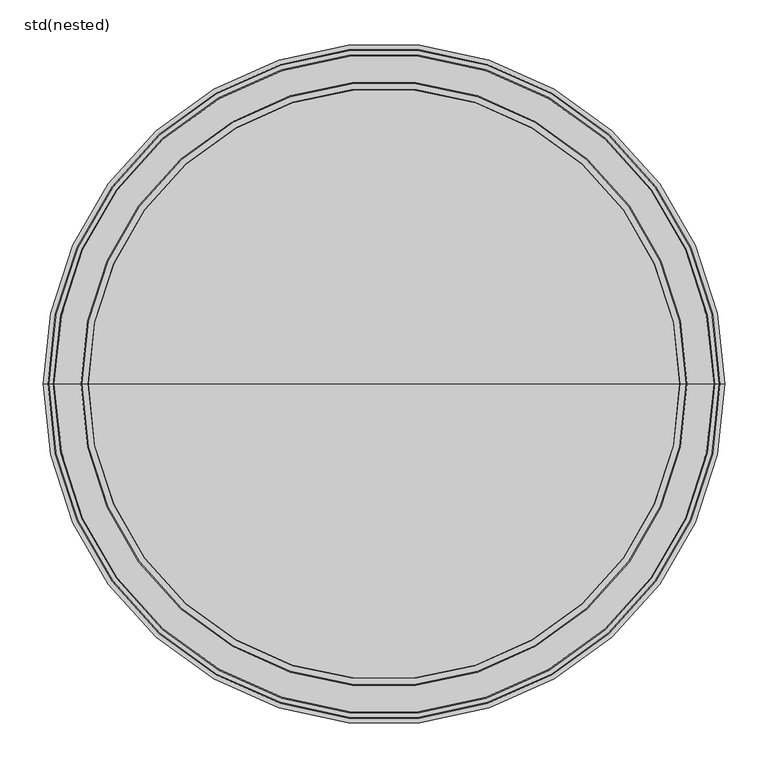
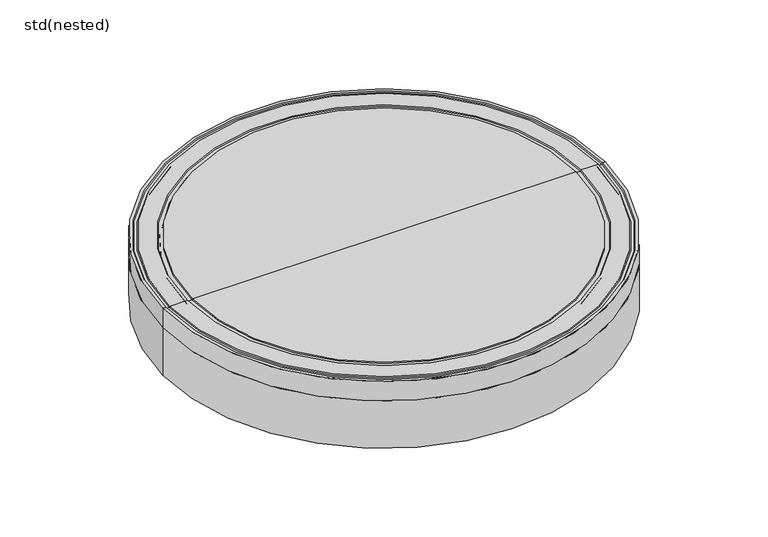
"""IFC4 building model written with IfcOpenShell, lengths in millimetres: sanitary terminal geometry, std(nested)."""

from ifc_helpers import new_model, si_unit, frame, origin, place, context, project, spatial, polyline, circle_curve, source, transform, mapped, element, save
from ifc_brep_helpers import plane_surface, cylinder_surface, revolved_surface, advanced_brep


def std_nested_8acdc314(model_context):
    return source(origin(), model_context, "Body", "AdvancedBrep", [
        advanced_brep(
        [(340.5, 0.0, -36.5), (-340.5, 0.0, -36.5), (-340.5, 0.0, 0.0), (340.5, 0.0, 0.0), (302.2093622, 0.0, -36.5), (-302.2093622, 0.0, -36.5), (302.2093622, 0.0, -41.551694), (-302.2093622, 0.0, -41.551694), (312.5, 0.0, -41.551694), (-312.5, 0.0, -41.551694), (312.5, 0.0, -125.0), (-312.5, 0.0, -125.0), (0.0, 0.0, 0.0), (302.2093622, 0.0, -125.0), (-302.2093622, 0.0, -125.0), (302.2093622, 0.0, -44.4596035), (-302.2093622, 0.0, -44.4596035), (294.3853427, 0.0, -44.4596035), (-294.3853427, 0.0, -44.4596035), (294.3853427, 0.0, -36.5), (-294.3853427, 0.0, -36.5), (0.0, 0.0, -36.5)],
        [
            (0, 1, circle_curve(frame((0.0, 0.0, -36.5), z_axis=(0.0, 0.0, 1.0), x_axis=(-1.0, 0.0, 0.0)), 340.5)),
            (1, 2),
            (2, 3, circle_curve(frame((0.0, 0.0, 0.0), z_axis=(0.0, 0.0, -1.0), x_axis=(-1.0, 0.0, 0.0)), 340.5)),
            (3, 0),
            (1, 0, circle_curve(frame((0.0, 0.0, -36.5), z_axis=(0.0, 0.0, 1.0), x_axis=(-1.0, 0.0, 0.0)), 340.5)),
            (3, 2, circle_curve(frame((0.0, 0.0, 0.0), z_axis=(0.0, 0.0, -1.0), x_axis=(-1.0, 0.0, 0.0)), 340.5)),
            (4, 5, circle_curve(frame((0.0, 0.0, -36.5), z_axis=(0.0, 0.0, 1.0), x_axis=(-1.0, 0.0, 0.0)), 302.2093622)),
            (5, 1),
            (0, 4),
            (5, 4, circle_curve(frame((0.0, 0.0, -36.5), z_axis=(0.0, 0.0, 1.0), x_axis=(-1.0, 0.0, 0.0)), 302.2093622)),
            (6, 7, circle_curve(frame((0.0, 0.0, -41.551694), z_axis=(0.0, 0.0, 1.0), x_axis=(-1.0, 0.0, 0.0)), 302.2093622)),
            (7, 5),
            (4, 6),
            (7, 6, circle_curve(frame((0.0, 0.0, -41.551694), z_axis=(0.0, 0.0, 1.0), x_axis=(-1.0, 0.0, 0.0)), 302.2093622)),
            (8, 9, circle_curve(frame((0.0, 0.0, -41.551694), z_axis=(0.0, 0.0, 1.0), x_axis=(-1.0, 0.0, 0.0)), 312.5)),
            (9, 7),
            (6, 8),
            (9, 8, circle_curve(frame((0.0, 0.0, -41.551694), z_axis=(0.0, 0.0, 1.0), x_axis=(-1.0, 0.0, 0.0)), 312.5)),
            (10, 11, circle_curve(frame((0.0, 0.0, -125.0), z_axis=(0.0, 0.0, 1.0), x_axis=(-1.0, 0.0, 0.0)), 312.5)),
            (11, 9),
            (8, 10),
            (11, 10, circle_curve(frame((0.0, 0.0, -125.0), z_axis=(0.0, 0.0, 1.0), x_axis=(-1.0, 0.0, 0.0)), 312.5)),
            (2, 12),
            (12, 3),
            (13, 14, circle_curve(frame((0.0, 0.0, -125.0), z_axis=(0.0, 0.0, 1.0), x_axis=(-1.0, 0.0, 0.0)), 302.2093622)),
            (14, 11),
            (10, 13),
            (14, 13, circle_curve(frame((0.0, 0.0, -125.0), z_axis=(0.0, 0.0, 1.0), x_axis=(-1.0, 0.0, 0.0)), 302.2093622)),
            (15, 16, circle_curve(frame((0.0, 0.0, -44.4596035), z_axis=(0.0, 0.0, 1.0), x_axis=(-1.0, 0.0, 0.0)), 302.2093622)),
            (16, 14),
            (13, 15),
            (16, 15, circle_curve(frame((0.0, 0.0, -44.4596035), z_axis=(0.0, 0.0, 1.0), x_axis=(-1.0, 0.0, 0.0)), 302.2093622)),
            (17, 18, circle_curve(frame((0.0, 0.0, -44.4596035), z_axis=(0.0, 0.0, 1.0), x_axis=(-1.0, 0.0, 0.0)), 294.3853427)),
            (18, 16),
            (15, 17),
            (18, 17, circle_curve(frame((0.0, 0.0, -44.4596035), z_axis=(0.0, 0.0, 1.0), x_axis=(-1.0, 0.0, 0.0)), 294.3853427)),
            (19, 20, circle_curve(frame((0.0, 0.0, -36.5), z_axis=(0.0, 0.0, 1.0), x_axis=(-1.0, 0.0, 0.0)), 294.3853427)),
            (20, 18),
            (17, 19),
            (20, 19, circle_curve(frame((0.0, 0.0, -36.5), z_axis=(0.0, 0.0, 1.0), x_axis=(-1.0, 0.0, 0.0)), 294.3853427)),
            (21, 20),
            (19, 21),
        ],
        [
            cylinder_surface(frame((0.0, 0.0, 260.0), z_axis=(0.0, 0.0, -1.0), x_axis=(-1.0, 0.0, 0.0)), 340.5),
            plane_surface(frame((0.0, 0.0, -36.5), z_axis=(0.0, 0.0, -1.0), x_axis=(-1.0, 0.0, 0.0))),
            cylinder_surface(frame((0.0, 0.0, 260.0), z_axis=(0.0, 0.0, -1.0), x_axis=(-1.0, 0.0, 0.0)), 302.2093622),
            plane_surface(frame((0.0, 0.0, -41.551694), z_axis=(0.0, 0.0, 1.0), x_axis=(-1.0, 0.0, 0.0))),
            cylinder_surface(frame((0.0, 0.0, 260.0), z_axis=(0.0, 0.0, -1.0), x_axis=(-1.0, 0.0, 0.0)), 312.5),
            plane_surface(frame((0.0, 0.0, 0.0), z_axis=(0.0, 0.0, 1.0), x_axis=(-1.0, 0.0, 0.0))),
            plane_surface(frame((0.0, 0.0, -125.0), z_axis=(0.0, 0.0, -1.0), x_axis=(-1.0, 0.0, 0.0))),
            revolved_surface(polyline([(-302.2093622, 0.0, -125.0), (-302.2093622, 0.0, -44.459603500000014)]), (0.0, 0.0, 260.0), (0.0, 0.0, -1.0)),
            plane_surface(frame((0.0, 0.0, -44.4596035), z_axis=(0.0, 0.0, -1.0), x_axis=(-1.0, 0.0, 0.0))),
            revolved_surface(polyline([(-294.3853427, 0.0, -44.459603500000014), (-294.3853427, 0.0, -36.5)]), (0.0, 0.0, 260.0), (0.0, 0.0, -1.0)),
        ],
        [
            (0, [[1, 2, 3, 4]]),
            (0, [[5, -4, 6, -2]]),
            (1, [[7, 8, -1, 9]]),
            (1, [[10, -9, -5, -8]]),
            (2, [[11, 12, -7, 13]]),
            (2, [[14, -13, -10, -12]]),
            (3, [[15, 16, -11, 17]]),
            (3, [[18, -17, -14, -16]]),
            (4, [[19, 20, -15, 21]]),
            (4, [[22, -21, -18, -20]]),
            (5, [[-3, 23, 24]]),
            (5, [[-6, -24, -23]]),
            (6, [[25, 26, -19, 27]]),
            (6, [[28, -27, -22, -26]]),
            (7, [[29, 30, -25, 31]]),
            (7, [[32, -31, -28, -30]]),
            (8, [[33, 34, -29, 35]]),
            (8, [[36, -35, -32, -34]]),
            (9, [[37, 38, -33, 39]]),
            (9, [[40, -39, -36, -38]]),
            (1, [[41, -37, 42]]),
            (1, [[-42, -40, -41]]),
        ],
    ),
        advanced_brep(
        [(392.5, 0.0, -125.0), (-392.5, 0.0, -125.0), (-392.5, 0.0, -36.5), (392.5, 0.0, -36.5), (312.4482441, 0.0, -125.0), (-312.4482441, 0.0, -125.0), (312.4482441, 0.0, -47.1227756), (-312.4482441, 0.0, -47.1227756), (346.0323541, 0.0, -47.1227756), (-346.0323541, 0.0, -47.1227756), (346.0323541, 0.0, -36.5), (-346.0323541, 0.0, -36.5)],
        [
            (0, 1, circle_curve(frame((0.0, 0.0, -125.0), z_axis=(0.0, 0.0, 1.0), x_axis=(-1.0, 0.0, 0.0)), 392.5)),
            (1, 2),
            (2, 3, circle_curve(frame((0.0, 0.0, -36.5), z_axis=(0.0, 0.0, -1.0), x_axis=(-1.0, 0.0, 0.0)), 392.5)),
            (3, 0),
            (1, 0, circle_curve(frame((0.0, 0.0, -125.0), z_axis=(0.0, 0.0, 1.0), x_axis=(-1.0, 0.0, 0.0)), 392.5)),
            (3, 2, circle_curve(frame((0.0, 0.0, -36.5), z_axis=(0.0, 0.0, -1.0), x_axis=(-1.0, 0.0, 0.0)), 392.5)),
            (4, 5, circle_curve(frame((0.0, 0.0, -125.0), z_axis=(0.0, 0.0, 1.0), x_axis=(-1.0, 0.0, 0.0)), 312.4482441)),
            (5, 1),
            (0, 4),
            (5, 4, circle_curve(frame((0.0, 0.0, -125.0), z_axis=(0.0, 0.0, 1.0), x_axis=(-1.0, 0.0, 0.0)), 312.4482441)),
            (6, 7, circle_curve(frame((0.0, 0.0, -47.1227756), z_axis=(0.0, 0.0, 1.0), x_axis=(-1.0, 0.0, 0.0)), 312.4482441)),
            (7, 5),
            (4, 6),
            (7, 6, circle_curve(frame((0.0, 0.0, -47.1227756), z_axis=(0.0, 0.0, 1.0), x_axis=(-1.0, 0.0, 0.0)), 312.4482441)),
            (8, 9, circle_curve(frame((0.0, 0.0, -47.1227756), z_axis=(0.0, 0.0, 1.0), x_axis=(-1.0, 0.0, 0.0)), 346.0323541)),
            (9, 7),
            (6, 8),
            (9, 8, circle_curve(frame((0.0, 0.0, -47.1227756), z_axis=(0.0, 0.0, 1.0), x_axis=(-1.0, 0.0, 0.0)), 346.0323541)),
            (10, 11, circle_curve(frame((0.0, 0.0, -36.5), z_axis=(0.0, 0.0, 1.0), x_axis=(-1.0, 0.0, 0.0)), 346.0323541)),
            (11, 9),
            (8, 10),
            (11, 10, circle_curve(frame((0.0, 0.0, -36.5), z_axis=(0.0, 0.0, 1.0), x_axis=(-1.0, 0.0, 0.0)), 346.0323541)),
            (2, 11),
            (10, 3),
        ],
        [
            cylinder_surface(frame((0.0, 0.0, 192.8772244), z_axis=(0.0, 0.0, -1.0), x_axis=(-1.0, 0.0, 0.0)), 392.5),
            plane_surface(frame((0.0, 0.0, -125.0), z_axis=(0.0, 0.0, -1.0), x_axis=(-1.0, 0.0, 0.0))),
            revolved_surface(polyline([(-312.4482441, 0.0, -125.0), (-312.4482441, 0.0, -47.12277560000001)]), (0.0, 0.0, 192.8772244), (0.0, 0.0, -1.0)),
            plane_surface(frame((0.0, 0.0, -47.1227756), z_axis=(0.0, 0.0, 1.0), x_axis=(-1.0, 0.0, 0.0))),
            revolved_surface(polyline([(-346.0323541, 0.0, -47.12277560000001), (-346.0323541, 0.0, -36.5)]), (0.0, 0.0, 192.8772244), (0.0, 0.0, -1.0)),
            plane_surface(frame((0.0, 0.0, -36.5), z_axis=(0.0, 0.0, 1.0), x_axis=(-1.0, 0.0, 0.0))),
        ],
        [
            (0, [[1, 2, 3, 4]]),
            (0, [[5, -4, 6, -2]]),
            (1, [[7, 8, -1, 9]]),
            (1, [[10, -9, -5, -8]]),
            (2, [[11, 12, -7, 13]]),
            (2, [[14, -13, -10, -12]]),
            (3, [[15, 16, -11, 17]]),
            (3, [[18, -17, -14, -16]]),
            (4, [[19, 20, -15, 21]]),
            (4, [[22, -21, -18, -20]]),
            (5, [[-3, 23, -19, 24]]),
            (5, [[-6, -24, -22, -23]]),
        ],
    ),
        advanced_brep(
        [(392.5, 0.0, -36.5), (-392.5, 0.0, -36.5), (-392.5, 0.0, 0.0), (392.5, 0.0, 0.0), (388.4825449, 0.0, -36.5), (-388.4825449, 0.0, -36.5), (388.4825449, 0.0, -24.0), (-388.4825449, 0.0, -24.0), (388.4825449, 0.0, -6.5819358), (-388.4825449, 0.0, -6.5819358), (379.0298506, 0.0, -6.5819358), (-379.0298506, 0.0, -6.5819358), (377.8278444, 0.0, -4.5), (-377.8278444, 0.0, -4.5), (351.1372455, 0.0, -4.5), (-351.1372455, 0.0, -4.5), (349.9352393, 0.0, -6.5819358), (-349.9352393, 0.0, -6.5819358), (346.0323541, 0.0, -6.5819358), (-346.0323541, 0.0, -6.5819358), (346.0323541, 0.0, -45.0), (-346.0323541, 0.0, -45.0), (302.6536609, 0.0, -45.0), (-302.6536609, 0.0, -45.0), (302.6536609, 0.0, -40.5), (-302.6536609, 0.0, -40.5), (341.2442571, 0.0, -40.5), (-341.2442571, 0.0, -40.5), (347.9825449, 0.0, -2.0), (-347.9825449, 0.0, -2.0), (-341.2442571, 0.0, -2.0), (341.2442571, 0.0, -2.0), (349.1372455, 0.0, 0.0), (-349.1372455, 0.0, 0.0), (379.8278444, 0.0, 0.0), (-379.8278444, 0.0, 0.0), (380.9825449, 0.0, -2.0), (-380.9825449, 0.0, -2.0), (385.9089228, 0.0, -2.0), (-385.9089228, 0.0, -2.0), (387.0636234, 0.0, 0.0), (-387.0636234, 0.0, 0.0)],
        [
            (0, 1, circle_curve(frame((0.0, 0.0, -36.5), z_axis=(0.0, 0.0, 1.0), x_axis=(-1.0, 0.0, 0.0)), 392.5)),
            (1, 2),
            (2, 3, circle_curve(frame((0.0, 0.0, 0.0), z_axis=(0.0, 0.0, -1.0), x_axis=(-1.0, 0.0, 0.0)), 392.5)),
            (3, 0),
            (1, 0, circle_curve(frame((0.0, 0.0, -36.5), z_axis=(0.0, 0.0, 1.0), x_axis=(-1.0, 0.0, 0.0)), 392.5)),
            (3, 2, circle_curve(frame((0.0, 0.0, 0.0), z_axis=(0.0, 0.0, -1.0), x_axis=(-1.0, 0.0, 0.0)), 392.5)),
            (4, 5, circle_curve(frame((0.0, 0.0, -36.5), z_axis=(0.0, 0.0, 1.0), x_axis=(-1.0, 0.0, 0.0)), 388.4825449)),
            (5, 1),
            (0, 4),
            (5, 4, circle_curve(frame((0.0, 0.0, -36.5), z_axis=(0.0, 0.0, 1.0), x_axis=(-1.0, 0.0, 0.0)), 388.4825449)),
            (6, 7, circle_curve(frame((0.0, 0.0, -24.0), z_axis=(0.0, 0.0, 1.0), x_axis=(-1.0, 0.0, 0.0)), 388.4825449)),
            (7, 5),
            (4, 6),
            (7, 6, circle_curve(frame((0.0, 0.0, -24.0), z_axis=(0.0, 0.0, 1.0), x_axis=(-1.0, 0.0, 0.0)), 388.4825449)),
            (8, 9, circle_curve(frame((0.0, 0.0, -6.5819358), z_axis=(0.0, 0.0, 1.0), x_axis=(-1.0, 0.0, 0.0)), 388.4825449)),
            (9, 7),
            (6, 8),
            (9, 8, circle_curve(frame((0.0, 0.0, -6.5819358), z_axis=(0.0, 0.0, 1.0), x_axis=(-1.0, 0.0, 0.0)), 388.4825449)),
            (10, 11, circle_curve(frame((0.0, 0.0, -6.5819358), z_axis=(0.0, 0.0, 1.0), x_axis=(-1.0, 0.0, 0.0)), 379.0298506)),
            (11, 9),
            (8, 10),
            (11, 10, circle_curve(frame((0.0, 0.0, -6.5819358), z_axis=(0.0, 0.0, 1.0), x_axis=(-1.0, 0.0, 0.0)), 379.0298506)),
            (12, 13, circle_curve(frame((0.0, 0.0, -4.5), z_axis=(0.0, 0.0, 1.0), x_axis=(-1.0, 0.0, 0.0)), 377.8278444)),
            (13, 11),
            (10, 12),
            (13, 12, circle_curve(frame((0.0, 0.0, -4.5), z_axis=(0.0, 0.0, 1.0), x_axis=(-1.0, 0.0, 0.0)), 377.8278444)),
            (14, 15, circle_curve(frame((0.0, 0.0, -4.5), z_axis=(0.0, 0.0, 1.0), x_axis=(-1.0, 0.0, 0.0)), 351.1372455)),
            (15, 13),
            (12, 14),
            (15, 14, circle_curve(frame((0.0, 0.0, -4.5), z_axis=(0.0, 0.0, 1.0), x_axis=(-1.0, 0.0, 0.0)), 351.1372455)),
            (16, 17, circle_curve(frame((0.0, 0.0, -6.5819358), z_axis=(0.0, 0.0, 1.0), x_axis=(-1.0, 0.0, 0.0)), 349.9352393)),
            (17, 15),
            (14, 16),
            (17, 16, circle_curve(frame((0.0, 0.0, -6.5819358), z_axis=(0.0, 0.0, 1.0), x_axis=(-1.0, 0.0, 0.0)), 349.9352393)),
            (18, 19, circle_curve(frame((0.0, 0.0, -6.5819358), z_axis=(0.0, 0.0, 1.0), x_axis=(-1.0, 0.0, 0.0)), 346.0323541)),
            (19, 17),
            (16, 18),
            (19, 18, circle_curve(frame((0.0, 0.0, -6.5819358), z_axis=(0.0, 0.0, 1.0), x_axis=(-1.0, 0.0, 0.0)), 346.0323541)),
            (20, 21, circle_curve(frame((0.0, 0.0, -45.0), z_axis=(0.0, 0.0, 1.0), x_axis=(-1.0, 0.0, 0.0)), 346.0323541)),
            (21, 19),
            (18, 20),
            (21, 20, circle_curve(frame((0.0, 0.0, -45.0), z_axis=(0.0, 0.0, 1.0), x_axis=(-1.0, 0.0, 0.0)), 346.0323541)),
            (22, 23, circle_curve(frame((0.0, 0.0, -45.0), z_axis=(0.0, 0.0, 1.0), x_axis=(-1.0, 0.0, 0.0)), 302.6536609)),
            (23, 21),
            (20, 22),
            (23, 22, circle_curve(frame((0.0, 0.0, -45.0), z_axis=(0.0, 0.0, 1.0), x_axis=(-1.0, 0.0, 0.0)), 302.6536609)),
            (24, 25, circle_curve(frame((0.0, 0.0, -40.5), z_axis=(0.0, 0.0, 1.0), x_axis=(-1.0, 0.0, 0.0)), 302.6536609)),
            (25, 23),
            (22, 24),
            (25, 24, circle_curve(frame((0.0, 0.0, -40.5), z_axis=(0.0, 0.0, 1.0), x_axis=(-1.0, 0.0, 0.0)), 302.6536609)),
            (26, 27, circle_curve(frame((0.0, 0.0, -40.5), z_axis=(0.0, 0.0, 1.0), x_axis=(-1.0, 0.0, 0.0)), 341.2442571)),
            (27, 25),
            (24, 26),
            (27, 26, circle_curve(frame((0.0, 0.0, -40.5), z_axis=(0.0, 0.0, 1.0), x_axis=(-1.0, 0.0, 0.0)), 341.2442571)),
            (28, 29, circle_curve(frame((0.0, 0.0, -2.0), z_axis=(0.0, 0.0, 1.0), x_axis=(-1.0, 0.0, 0.0)), 347.9825449)),
            (29, 30),
            (30, 31, circle_curve(frame((0.0, 0.0, -2.0), z_axis=(0.0, 0.0, -1.0), x_axis=(-1.0, 0.0, 0.0)), 341.2442571)),
            (31, 28),
            (29, 28, circle_curve(frame((0.0, 0.0, -2.0), z_axis=(0.0, 0.0, 1.0), x_axis=(-1.0, 0.0, 0.0)), 347.9825449)),
            (31, 30, circle_curve(frame((0.0, 0.0, -2.0), z_axis=(0.0, 0.0, -1.0), x_axis=(-1.0, 0.0, 0.0)), 341.2442571)),
            (32, 33, circle_curve(frame((0.0, 0.0, 0.0), z_axis=(0.0, 0.0, 1.0), x_axis=(-1.0, 0.0, 0.0)), 349.1372455)),
            (33, 29),
            (28, 32),
            (33, 32, circle_curve(frame((0.0, 0.0, 0.0), z_axis=(0.0, 0.0, 1.0), x_axis=(-1.0, 0.0, 0.0)), 349.1372455)),
            (34, 35, circle_curve(frame((0.0, 0.0, 0.0), z_axis=(0.0, 0.0, 1.0), x_axis=(-1.0, 0.0, 0.0)), 379.8278444)),
            (35, 33),
            (32, 34),
            (35, 34, circle_curve(frame((0.0, 0.0, 0.0), z_axis=(0.0, 0.0, 1.0), x_axis=(-1.0, 0.0, 0.0)), 379.8278444)),
            (36, 37, circle_curve(frame((0.0, 0.0, -2.0), z_axis=(0.0, 0.0, 1.0), x_axis=(-1.0, 0.0, 0.0)), 380.9825449)),
            (37, 35),
            (34, 36),
            (37, 36, circle_curve(frame((0.0, 0.0, -2.0), z_axis=(0.0, 0.0, 1.0), x_axis=(-1.0, 0.0, 0.0)), 380.9825449)),
            (38, 39, circle_curve(frame((0.0, 0.0, -2.0), z_axis=(0.0, 0.0, 1.0), x_axis=(-1.0, 0.0, 0.0)), 385.9089228)),
            (39, 37),
            (36, 38),
            (39, 38, circle_curve(frame((0.0, 0.0, -2.0), z_axis=(0.0, 0.0, 1.0), x_axis=(-1.0, 0.0, 0.0)), 385.9089228)),
            (40, 41, circle_curve(frame((0.0, 0.0, 0.0), z_axis=(0.0, 0.0, 1.0), x_axis=(-1.0, 0.0, 0.0)), 387.0636234)),
            (41, 39),
            (38, 40),
            (41, 40, circle_curve(frame((0.0, 0.0, 0.0), z_axis=(0.0, 0.0, 1.0), x_axis=(-1.0, 0.0, 0.0)), 387.0636234)),
            (2, 41),
            (40, 3),
            (30, 27),
            (26, 31),
        ],
        [
            cylinder_surface(frame((0.0, 0.0, 217.3772244), z_axis=(0.0, 0.0, -1.0), x_axis=(-1.0, 0.0, 0.0)), 392.5),
            plane_surface(frame((0.0, 0.0, -36.5), z_axis=(0.0, 0.0, -1.0), x_axis=(-1.0, 0.0, 0.0))),
            revolved_surface(polyline([(-388.4825449, 0.0, -36.5), (-388.4825449, 0.0, -24.0)]), (0.0, 0.0, 217.3772244), (0.0, 0.0, -1.0)),
            revolved_surface(polyline([(-388.4825449, 0.0, -24.0), (-388.4825449, 0.0, -6.581935799999997)]), (0.0, 0.0, 217.3772244), (0.0, 0.0, -1.0)),
            plane_surface(frame((0.0, 0.0, -6.5819358), z_axis=(0.0, 0.0, -1.0), x_axis=(-1.0, 0.0, 0.0))),
            revolved_surface(polyline([(-379.0298506, 0.0, -6.5819358), (-377.8278444, 0.0, -4.5)]), (0.0, 0.0, 217.3772244), (0.0, 0.0, -1.0)),
            plane_surface(frame((0.0, 0.0, -4.5), z_axis=(0.0, 0.0, -1.0), x_axis=(-1.0, 0.0, 0.0))),
            revolved_surface(polyline([(-351.1372455, 0.0, -4.5), (-349.9352393, 0.0, -6.5819358)]), (0.0, 0.0, 217.3772244), (0.0, 0.0, -1.0)),
            cylinder_surface(frame((0.0, 0.0, 217.3772244), z_axis=(0.0, 0.0, -1.0), x_axis=(-1.0, 0.0, 0.0)), 346.0323541),
            plane_surface(frame((0.0, 0.0, -45.0), z_axis=(0.0, 0.0, -1.0), x_axis=(-1.0, 0.0, 0.0))),
            revolved_surface(polyline([(-302.6536609, 0.0, -45.0), (-302.6536609, 0.0, -40.5)]), (0.0, 0.0, 217.3772244), (0.0, 0.0, -1.0)),
            plane_surface(frame((0.0, 0.0, -40.5), z_axis=(0.0, 0.0, 1.0), x_axis=(-1.0, 0.0, 0.0))),
            plane_surface(frame((0.0, 0.0, -2.0), z_axis=(0.0, 0.0, 1.0), x_axis=(-1.0, 0.0, 0.0))),
            revolved_surface(polyline([(-347.9825449, 0.0, -2.0), (-349.1372455, 0.0, 0.0)]), (0.0, 0.0, 217.3772244), (0.0, 0.0, -1.0)),
            plane_surface(frame((0.0, 0.0, 0.0), z_axis=(0.0, 0.0, 1.0), x_axis=(-1.0, 0.0, 0.0))),
            revolved_surface(polyline([(-379.8278444, 0.0, 0.0), (-380.9825449, 0.0, -2.0)]), (0.0, 0.0, 217.3772244), (0.0, 0.0, -1.0)),
            revolved_surface(polyline([(-385.9089228, 0.0, -2.0), (-387.0636234, 0.0, 0.0)]), (0.0, 0.0, 217.3772244), (0.0, 0.0, -1.0)),
            revolved_surface(polyline([(-341.2442571, 0.0, -40.5), (-341.2442571, 0.0, -2.0)]), (0.0, 0.0, 217.3772244), (0.0, 0.0, -1.0)),
        ],
        [
            (0, [[1, 2, 3, 4]]),
            (0, [[5, -4, 6, -2]]),
            (1, [[7, 8, -1, 9]]),
            (1, [[10, -9, -5, -8]]),
            (2, [[11, 12, -7, 13]]),
            (2, [[14, -13, -10, -12]]),
            (3, [[15, 16, -11, 17]]),
            (3, [[18, -17, -14, -16]]),
            (4, [[19, 20, -15, 21]]),
            (4, [[22, -21, -18, -20]]),
            (5, [[23, 24, -19, 25]]),
            (5, [[26, -25, -22, -24]]),
            (6, [[27, 28, -23, 29]]),
            (6, [[30, -29, -26, -28]]),
            (7, [[31, 32, -27, 33]]),
            (7, [[34, -33, -30, -32]]),
            (4, [[35, 36, -31, 37]]),
            (4, [[38, -37, -34, -36]]),
            (8, [[39, 40, -35, 41]]),
            (8, [[42, -41, -38, -40]]),
            (9, [[43, 44, -39, 45]]),
            (9, [[46, -45, -42, -44]]),
            (10, [[47, 48, -43, 49]]),
            (10, [[50, -49, -46, -48]]),
            (11, [[51, 52, -47, 53]]),
            (11, [[54, -53, -50, -52]]),
            (12, [[55, 56, 57, 58]]),
            (12, [[59, -58, 60, -56]]),
            (13, [[61, 62, -55, 63]]),
            (13, [[64, -63, -59, -62]]),
            (14, [[65, 66, -61, 67]]),
            (14, [[68, -67, -64, -66]]),
            (15, [[69, 70, -65, 71]]),
            (15, [[72, -71, -68, -70]]),
            (12, [[73, 74, -69, 75]]),
            (12, [[76, -75, -72, -74]]),
            (16, [[77, 78, -73, 79]]),
            (16, [[80, -79, -76, -78]]),
            (14, [[-3, 81, -77, 82]]),
            (14, [[-6, -82, -80, -81]]),
            (17, [[-57, 83, -51, 84]]),
            (17, [[-60, -84, -54, -83]]),
        ],
    ),
    ])


if __name__ == "__main__":
    model = new_model("IFC4")
    model_context = context("Model", 3, world=origin())
    ifc_project = project(units=[si_unit("LENGTHUNIT", "METRE", prefix="MILLI")], contexts=[model_context])
    site = spatial("IfcSite", under=ifc_project)
    building = spatial("IfcBuilding", under=site)
    placement = place(None, origin())
    std_nested_shape = std_nested_8acdc314(model_context)
    element("IfcSanitaryTerminal", 1, ObjectType="std(nested)", at=placement, inside=building, context=model_context, shape_type="MappedRepresentation", body=[
        mapped(std_nested_shape, transform((0.0, 0.0, 0.0), x_axis=(1.0, 0.0, 0.0), y_axis=(0.0, 1.0, 0.0), z_axis=(0.0, 0.0, 1.0))),
    ])
    save(model, "model.ifc")
